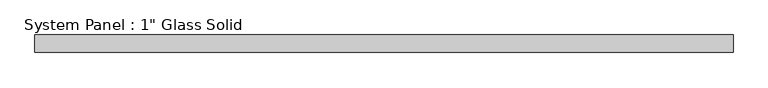
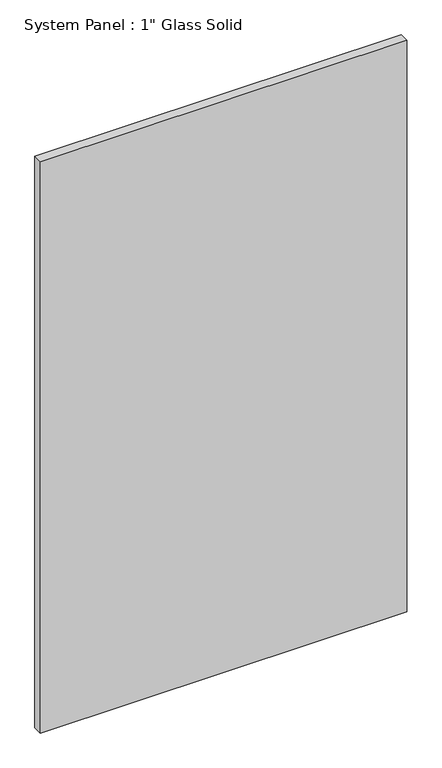
"""IFC4 building model written with IfcOpenShell, lengths in millimetres: plate geometry."""

from ifc_helpers import new_model, si_unit, origin, origin_with_axes, place, context, project, spatial, polyline, outline, extrude, source, transform, mapped, element, save


def plate_f116d40b(model_context):
    return source(origin(), model_context, "Body", "SweptSolid", [
        extrude(outline(polyline([(505.61875, -12.7), (-505.61875, -12.7), (-505.61875, 12.7), (505.61875, 12.7), (505.61875, -12.7)])), origin_with_axes(), (0.0, 0.0, 1.0), 1666.875),
    ])


if __name__ == "__main__":
    model = new_model("IFC4")
    model_context = context("Model", 3, world=origin())
    ifc_project = project(units=[si_unit("LENGTHUNIT", "METRE", prefix="MILLI")], contexts=[model_context])
    site = spatial("IfcSite", under=ifc_project)
    building = spatial("IfcBuilding", under=site)
    placement = place(None, origin())
    plate_shape = plate_f116d40b(model_context)
    element("IfcPlate", 1, ObjectType="System Panel : 1\" Glass Solid", at=placement, inside=building, context=model_context, shape_type="MappedRepresentation", body=[
        mapped(plate_shape, transform((0.0, 0.0, 0.0), x_axis=(1.0, 0.0, 0.0), y_axis=(0.0, 1.0, 0.0), z_axis=(0.0, 0.0, 1.0))),
    ])
    save(model, "model.ifc")
